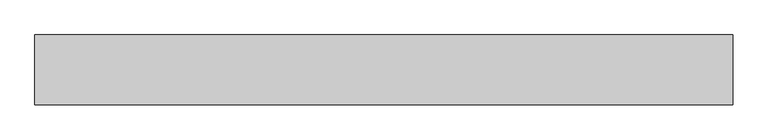
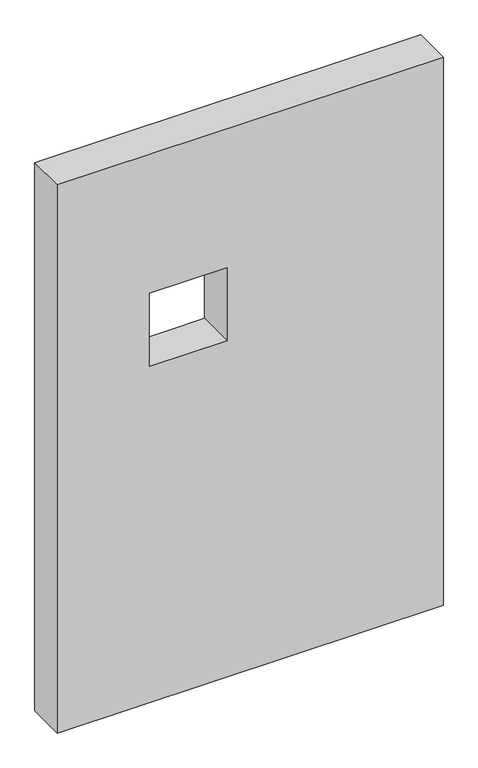
"""IFC4 building model written with IfcOpenShell, lengths in millimetres: proxy geometry."""

from ifc_helpers import new_model, si_unit, frame, origin, place, context, project, spatial, polyline, outline, extrude, source, transform, mapped, element, save


def generic_models_2ddddbb0(model_context):
    return source(origin(), model_context, "Body", "SweptSolid", [
        extrude(outline(polyline([(1500.0, 1000.0), (1500.0, 0.0), (0.0, 0.0), (0.0, 1000.0), (1500.0, 1000.0)]), holes=[polyline([(1120.0, 240.0), (1120.0, 440.0), (920.0, 440.0), (920.0, 240.0), (1120.0, 240.0)])]), frame((0.0, 0.0, 0.0), z_axis=(0.0, 1.0, 0.0), x_axis=(0.0, 0.0, 1.0)), (0.0, 0.0, 1.0), 100.0),
    ])


if __name__ == "__main__":
    model = new_model("IFC4")
    model_context = context("Model", 3, world=origin())
    ifc_project = project(units=[si_unit("LENGTHUNIT", "METRE", prefix="MILLI")], contexts=[model_context])
    site = spatial("IfcSite", under=ifc_project)
    building = spatial("IfcBuilding", under=site)
    placement = place(None, origin())
    generic_models_shape = generic_models_2ddddbb0(model_context)
    element("IfcBuildingElementProxy", 1, Name="Generic Models", at=placement, inside=building, context=model_context, shape_type="MappedRepresentation", body=[
        mapped(generic_models_shape, transform((0.0, 0.0, 0.0), x_axis=(1.0, 0.0, 0.0), y_axis=(0.0, 1.0, 0.0), z_axis=(0.0, 0.0, 1.0))),
    ])
    save(model, "model.ifc")
